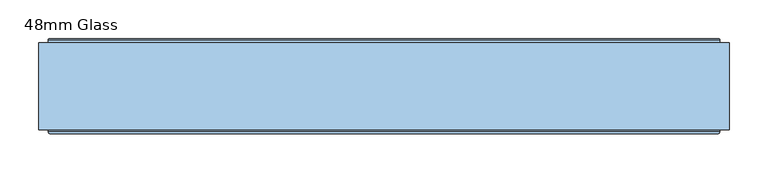
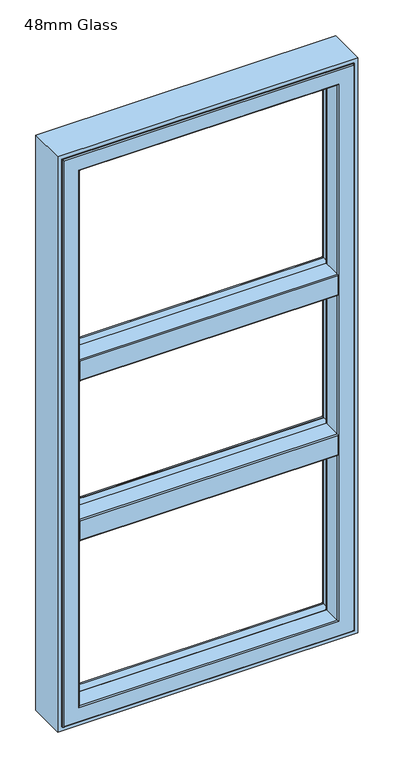
"""IFC4 building model written with IfcOpenShell, lengths in millimetres: window geometry, 48mm Glass."""

from ifc_helpers import new_model, si_unit, frame, origin, place, context, project, spatial, polyline, circle_curve, ellipse_curve, outline, extrude, source, transform, mapped, element, save
from ifc_brep_helpers import plane_surface, cylinder_surface, revolved_surface, advanced_brep


def window_48mm_glass_a38f5742(model_context):
    return source(origin(), model_context, "Body", "SolidModel", [
        advanced_brep(
        [(382.0, 91.0, 1395.6729121), (382.0, 91.0, 1379.0), (-382.0, 91.0, 1379.0), (-382.0, 91.0, 1395.6729121), (382.0, 35.0, 1379.0), (-382.0, 35.0, 1379.0), (382.0, 32.0, 1382.0), (382.0, 32.0, 1442.0), (-382.0, 32.0, 1442.0), (-382.0, 32.0, 1382.0), (382.0, 35.0, 1445.0), (382.0, 91.0, 1445.0), (-382.0, 91.0, 1445.0), (-382.0, 35.0, 1445.0), (382.0, 91.0, 1428.3270879), (-382.0, 91.0, 1428.3270879), (400.1583253, 92.2894565, 1426.8419376), (406.822025, 146.5609347, 1420.1893048), (-406.822025, 146.5609347, 1420.1893048), (-400.1583253, 92.2894565, 1426.8419376), (406.822025, 146.5609347, 1403.8106952), (400.1583253, 92.2894565, 1397.1580624), (-400.1583253, 92.2894565, 1397.1580624), (-406.822025, 146.5609347, 1403.8106952), (400.0, 91.0, 1395.6729121), (400.0, 91.0, 1428.3270879), (407.6, 153.0, 1419.4), (407.6, 153.0, 1404.6), (407.6, 154.0, 1405.6), (407.6, 154.0, 1418.4), (407.0359197, 148.3029671, 1404.6), (407.0359197, 148.3029671, 1419.4), (-400.0, 91.0, 1428.3270879), (-400.0, 91.0, 1395.6729121), (-407.6, 153.0, 1404.6), (-407.6, 153.0, 1419.4), (-407.6, 154.0, 1418.4), (-407.6, 154.0, 1405.6), (-407.0359197, 148.3029671, 1419.4), (-407.0359197, 148.3029671, 1404.6)],
        [
            (0, 1),
            (1, 2),
            (2, 3),
            (3, 0),
            (1, 4),
            (4, 5),
            (5, 2),
            (6, 7),
            (7, 8),
            (8, 9),
            (9, 6),
            (10, 11),
            (11, 12),
            (12, 13),
            (13, 10),
            (11, 14),
            (14, 15),
            (15, 12),
            (16, 17),
            (17, 18),
            (18, 19),
            (19, 16),
            (20, 21),
            (21, 22),
            (22, 23),
            (23, 20),
            (14, 0),
            (0, 24),
            (24, 25),
            (25, 14),
            (10, 7, circle_curve(frame((382.0, 35.0, 1442.0), z_axis=(1.0, 0.0, 0.0), x_axis=(0.0, 0.0, 1.0)), 3.0)),
            (6, 4, circle_curve(frame((382.0, 35.0, 1382.0), z_axis=(1.0, 0.0, 0.0), x_axis=(0.0, 0.0, 1.0)), 3.0)),
            (26, 27),
            (27, 28, circle_curve(frame((407.6, 153.0, 1405.6), z_axis=(1.0, 0.0, 0.0), x_axis=(0.0, 0.0, 1.0)), 1.0)),
            (28, 29),
            (29, 26, circle_curve(frame((407.6, 153.0, 1418.4), z_axis=(1.0, 0.0, 0.0), x_axis=(0.0, 0.0, 1.0)), 1.0)),
            (24, 21, ellipse_curve(frame((400.1841768, 92.5, 1395.6729121), z_axis=(-0.9925461516413192, 0.12186934340517064, 0.0), x_axis=(0.12186934340517032, 0.9925461516413191, 0.0)), 1.5112647, 1.5)),
            (20, 30),
            (30, 27),
            (26, 31),
            (31, 17),
            (16, 25, ellipse_curve(frame((400.1841768, 92.5, 1428.3270879), z_axis=(-0.9925461516413192, 0.12186934340517064, 0.0), x_axis=(0.12186934340517032, 0.9925461516413191, 0.0)), 1.5112647, 1.5)),
            (3, 15),
            (15, 32),
            (32, 33),
            (33, 3),
            (5, 9, circle_curve(frame((-382.0, 35.0, 1382.0), z_axis=(-1.0, 0.0, 0.0), x_axis=(0.0, 0.0, 1.0)), 3.0)),
            (8, 13, circle_curve(frame((-382.0, 35.0, 1442.0), z_axis=(-1.0, 0.0, 0.0), x_axis=(0.0, 0.0, 1.0)), 3.0)),
            (34, 35),
            (35, 36, circle_curve(frame((-407.6, 153.0, 1418.4), z_axis=(-1.0, 0.0, 0.0), x_axis=(0.0, 0.0, 1.0)), 1.0)),
            (36, 37),
            (37, 34, circle_curve(frame((-407.6, 153.0, 1405.6), z_axis=(-1.0, 0.0, 0.0), x_axis=(0.0, 0.0, 1.0)), 1.0)),
            (32, 19, ellipse_curve(frame((-400.1841768, 92.5, 1428.3270879), z_axis=(0.9925461516413218, 0.12186934340514957, 0.0), x_axis=(0.12186934340514949, -0.9925461516413219, 0.0)), 1.5112647, 1.5)),
            (18, 38),
            (38, 35),
            (34, 39),
            (39, 23),
            (22, 33, ellipse_curve(frame((-400.1841768, 92.5, 1395.6729121), z_axis=(0.9925461516413218, 0.12186934340514957, 0.0), x_axis=(0.12186934340514949, -0.9925461516413219, 0.0)), 1.5112647, 1.5)),
            (31, 38),
            (26, 35),
            (29, 36),
            (28, 37),
            (27, 34),
            (30, 39),
        ],
        [
            plane_surface(frame((-432.0, 91.0, 1395.6729121), z_axis=(0.0, 1.0, 0.0), x_axis=(1.0, 0.0, 0.0))),
            plane_surface(frame((-432.0, 91.0, 1379.0), z_axis=(0.0, 0.0, -1.0), x_axis=(1.0, 0.0, 0.0))),
            plane_surface(frame((-432.0, 32.0, 1382.0), z_axis=(0.0, -1.0, 0.0), x_axis=(1.0, 0.0, 0.0))),
            plane_surface(frame((-432.0, 35.0, 1445.0), z_axis=(0.0, 0.0, 1.0), x_axis=(1.0, 0.0, 0.0))),
            plane_surface(frame((-432.0, 91.0, 1445.0), z_axis=(0.0, 1.0, 0.0), x_axis=(1.0, 0.0, 0.0))),
            plane_surface(frame((-432.0, 92.2894565, 1426.8419376), z_axis=(0.0, 0.12166994625706042, 0.992570614202236), x_axis=(1.0, 0.0, 0.0))),
            plane_surface(frame((-432.0, 146.5609347, 1403.8106952), z_axis=(0.0, 0.12166994625704212, -0.9925706142022382), x_axis=(1.0, 0.0, 0.0))),
            plane_surface(frame((400.0, 91.0, 1662.0), z_axis=(0.0, -1.0, 0.0), x_axis=(0.0, 0.0, -1.0))),
            plane_surface(frame((382.0, 91.0, 1662.0), z_axis=(1.0, 0.0, 0.0), x_axis=(0.0, 0.0, -1.0))),
            plane_surface(frame((407.6, 154.0, 1662.0), z_axis=(1.0, 0.0, 0.0), x_axis=(0.0, 0.0, -1.0))),
            plane_surface(frame((407.6, 152.8970329, 1662.0), z_axis=(0.9925461516413192, -0.12186934340517064, 0.0), x_axis=(0.0, 0.0, -1.0))),
            plane_surface(frame((-382.0, 91.0, 1662.0), z_axis=(0.0, -1.0, 0.0), x_axis=(0.0, 0.0, -1.0))),
            plane_surface(frame((-382.0, 32.0, 1662.0), z_axis=(-1.0, 0.0, 0.0), x_axis=(0.0, 0.0, -1.0))),
            plane_surface(frame((-407.6, 152.8970329, 1662.0), z_axis=(-1.0, 0.0, 0.0), x_axis=(0.0, 0.0, -1.0))),
            plane_surface(frame((-400.0, 91.0, 1662.0), z_axis=(-0.9925461516413218, -0.12186934340514957, 0.0), x_axis=(0.0, 0.0, -1.0))),
            revolved_surface(polyline([(400.3683536367004, 92.5, 1397.1729121), (-400.36835363670036, 92.5, 1397.1729121)]), (432.0, 92.5, 1395.6729121), (1.0, 0.0, 0.0)),
            cylinder_surface(frame((432.0, 35.0, 1382.0), z_axis=(-1.0, 0.0, 0.0), x_axis=(0.0, 0.0, 1.0)), 3.0),
            cylinder_surface(frame((432.0, 35.0, 1442.0), z_axis=(-1.0, 0.0, 0.0), x_axis=(0.0, 0.0, 1.0)), 3.0),
            revolved_surface(polyline([(400.3683536367004, 92.5, 1429.8270879), (-400.36835363670036, 92.5, 1429.8270879)]), (432.0, 92.5, 1428.3270879), (1.0, 0.0, 0.0)),
            plane_surface(frame((-432.0, 146.5609347, 1420.1893048), z_axis=(0.0, 0.4127070888885561, 0.9108637981504883), x_axis=(1.0, 0.0, 0.0))),
            plane_surface(frame((-432.0, 148.3029671, 1419.4), z_axis=(0.0, 0.0, 1.0), x_axis=(1.0, 0.0, 0.0))),
            cylinder_surface(frame((432.0, 153.0, 1418.4), z_axis=(-1.0, 0.0, 0.0), x_axis=(0.0, 0.0, 1.0)), 1.0),
            plane_surface(frame((-432.0, 154.0, 1418.4), z_axis=(0.0, 1.0, 0.0), x_axis=(1.0, 0.0, 0.0))),
            cylinder_surface(frame((432.0, 153.0, 1405.6), z_axis=(-1.0, 0.0, 0.0), x_axis=(0.0, 0.0, 1.0)), 1.0),
            plane_surface(frame((-432.0, 153.0, 1404.6), z_axis=(0.0, 0.0, -1.0), x_axis=(1.0, 0.0, 0.0))),
            plane_surface(frame((-432.0, 148.3029671, 1404.6), z_axis=(0.0, 0.41270708890017077, -0.9108637981452258), x_axis=(1.0, 0.0, 0.0))),
        ],
        [
            (0, [[1, 2, 3, 4]]),
            (1, [[5, 6, 7, -2]]),
            (2, [[8, 9, 10, 11]]),
            (3, [[12, 13, 14, 15]]),
            (4, [[16, 17, 18, -13]]),
            (5, [[19, 20, 21, 22]]),
            (6, [[23, 24, 25, 26]]),
            (7, [[27, 28, 29, 30]]),
            (8, [[-27, -16, -12, 31, -8, 32, -5, -1]]),
            (9, [[33, 34, 35, 36]]),
            (10, [[-29, 37, -23, 38, 39, -33, 40, 41, -19, 42]]),
            (11, [[43, 44, 45, 46]]),
            (12, [[-43, -3, -7, 47, -10, 48, -14, -18]]),
            (13, [[49, 50, 51, 52]]),
            (14, [[-45, 53, -21, 54, 55, -49, 56, 57, -25, 58]]),
            (15, [[-28, -4, -46, -58, -24, -37]]),
            (16, [[-32, -11, -47, -6]]),
            (17, [[-31, -15, -48, -9]]),
            (18, [[-30, -42, -22, -53, -44, -17]]),
            (19, [[-41, 59, -54, -20]]),
            (20, [[-40, 60, -55, -59]]),
            (21, [[-36, 61, -50, -60]]),
            (22, [[-35, 62, -51, -61]]),
            (23, [[-34, 63, -52, -62]]),
            (24, [[-39, 64, -56, -63]]),
            (25, [[-38, -26, -57, -64]]),
        ],
    ),
        advanced_brep(
        [(382.0, 91.0, 1895.6729121), (382.0, 91.0, 1879.0), (-382.0, 91.0, 1879.0), (-382.0, 91.0, 1895.6729121), (382.0, 35.0, 1879.0), (-382.0, 35.0, 1879.0), (382.0, 32.0, 1882.0), (382.0, 32.0, 1942.0), (-382.0, 32.0, 1942.0), (-382.0, 32.0, 1882.0), (382.0, 35.0, 1945.0), (382.0, 91.0, 1945.0), (-382.0, 91.0, 1945.0), (-382.0, 35.0, 1945.0), (382.0, 91.0, 1928.3270879), (-382.0, 91.0, 1928.3270879), (400.1583253, 92.2894565, 1926.8419376), (406.822025, 146.5609347, 1920.1893048), (-406.822025, 146.5609347, 1920.1893048), (-400.1583253, 92.2894565, 1926.8419376), (406.822025, 146.5609347, 1903.8106952), (400.1583253, 92.2894565, 1897.1580624), (-400.1583253, 92.2894565, 1897.1580624), (-406.822025, 146.5609347, 1903.8106952), (400.0, 91.0, 1895.6729121), (400.0, 91.0, 1928.3270879), (407.6, 153.0, 1919.4), (407.6, 153.0, 1904.6), (407.6, 154.0, 1905.6), (407.6, 154.0, 1918.4), (407.0359197, 148.3029671, 1904.6), (407.0359197, 148.3029671, 1919.4), (-400.0, 91.0, 1928.3270879), (-400.0, 91.0, 1895.6729121), (-407.6, 153.0, 1904.6), (-407.6, 153.0, 1919.4), (-407.6, 154.0, 1918.4), (-407.6, 154.0, 1905.6), (-407.0359197, 148.3029671, 1919.4), (-407.0359197, 148.3029671, 1904.6)],
        [
            (0, 1),
            (1, 2),
            (2, 3),
            (3, 0),
            (1, 4),
            (4, 5),
            (5, 2),
            (6, 7),
            (7, 8),
            (8, 9),
            (9, 6),
            (10, 11),
            (11, 12),
            (12, 13),
            (13, 10),
            (11, 14),
            (14, 15),
            (15, 12),
            (16, 17),
            (17, 18),
            (18, 19),
            (19, 16),
            (20, 21),
            (21, 22),
            (22, 23),
            (23, 20),
            (14, 0),
            (0, 24),
            (24, 25),
            (25, 14),
            (10, 7, circle_curve(frame((382.0, 35.0, 1942.0), z_axis=(1.0, 0.0, 0.0), x_axis=(0.0, 0.0, 1.0)), 3.0)),
            (6, 4, circle_curve(frame((382.0, 35.0, 1882.0), z_axis=(1.0, 0.0, 0.0), x_axis=(0.0, 0.0, 1.0)), 3.0)),
            (26, 27),
            (27, 28, circle_curve(frame((407.6, 153.0, 1905.6), z_axis=(1.0, 0.0, 0.0), x_axis=(0.0, 0.0, 1.0)), 1.0)),
            (28, 29),
            (29, 26, circle_curve(frame((407.6, 153.0, 1918.4), z_axis=(1.0, 0.0, 0.0), x_axis=(0.0, 0.0, 1.0)), 1.0)),
            (24, 21, ellipse_curve(frame((400.1841768, 92.5, 1895.6729121), z_axis=(-0.9925461516413192, 0.12186934340517064, 0.0), x_axis=(0.12186934340517032, 0.9925461516413191, 0.0)), 1.5112647, 1.5)),
            (20, 30),
            (30, 27),
            (26, 31),
            (31, 17),
            (16, 25, ellipse_curve(frame((400.1841768, 92.5, 1928.3270879), z_axis=(-0.9925461516413192, 0.12186934340517064, 0.0), x_axis=(0.12186934340517032, 0.9925461516413191, 0.0)), 1.5112647, 1.5)),
            (3, 15),
            (15, 32),
            (32, 33),
            (33, 3),
            (5, 9, circle_curve(frame((-382.0, 35.0, 1882.0), z_axis=(-1.0, 0.0, 0.0), x_axis=(0.0, 0.0, 1.0)), 3.0)),
            (8, 13, circle_curve(frame((-382.0, 35.0, 1942.0), z_axis=(-1.0, 0.0, 0.0), x_axis=(0.0, 0.0, 1.0)), 3.0)),
            (34, 35),
            (35, 36, circle_curve(frame((-407.6, 153.0, 1918.4), z_axis=(-1.0, 0.0, 0.0), x_axis=(0.0, 0.0, 1.0)), 1.0)),
            (36, 37),
            (37, 34, circle_curve(frame((-407.6, 153.0, 1905.6), z_axis=(-1.0, 0.0, 0.0), x_axis=(0.0, 0.0, 1.0)), 1.0)),
            (32, 19, ellipse_curve(frame((-400.1841768, 92.5, 1928.3270879), z_axis=(0.9925461516413218, 0.12186934340514957, 0.0), x_axis=(0.12186934340514949, -0.9925461516413219, 0.0)), 1.5112647, 1.5)),
            (18, 38),
            (38, 35),
            (34, 39),
            (39, 23),
            (22, 33, ellipse_curve(frame((-400.1841768, 92.5, 1895.6729121), z_axis=(0.9925461516413218, 0.12186934340514957, 0.0), x_axis=(0.12186934340514949, -0.9925461516413219, 0.0)), 1.5112647, 1.5)),
            (31, 38),
            (26, 35),
            (29, 36),
            (28, 37),
            (27, 34),
            (30, 39),
        ],
        [
            plane_surface(frame((-432.0, 91.0, 1895.6729121), z_axis=(0.0, 1.0, 0.0), x_axis=(1.0, 0.0, 0.0))),
            plane_surface(frame((-432.0, 91.0, 1879.0), z_axis=(0.0, 0.0, -1.0), x_axis=(1.0, 0.0, 0.0))),
            plane_surface(frame((-432.0, 32.0, 1882.0), z_axis=(0.0, -1.0, 0.0), x_axis=(1.0, 0.0, 0.0))),
            plane_surface(frame((-432.0, 35.0, 1945.0), z_axis=(0.0, 0.0, 1.0), x_axis=(1.0, 0.0, 0.0))),
            plane_surface(frame((-432.0, 91.0, 1945.0), z_axis=(0.0, 1.0, 0.0), x_axis=(1.0, 0.0, 0.0))),
            plane_surface(frame((-432.0, 92.2894565, 1926.8419376), z_axis=(0.0, 0.12166994625706042, 0.992570614202236), x_axis=(1.0, 0.0, 0.0))),
            plane_surface(frame((-432.0, 146.5609347, 1903.8106952), z_axis=(0.0, 0.12166994625704212, -0.9925706142022382), x_axis=(1.0, 0.0, 0.0))),
            plane_surface(frame((400.0, 91.0, 2162.0), z_axis=(0.0, -1.0, 0.0), x_axis=(0.0, 0.0, -1.0))),
            plane_surface(frame((382.0, 91.0, 2162.0), z_axis=(1.0, 0.0, 0.0), x_axis=(0.0, 0.0, -1.0))),
            plane_surface(frame((407.6, 154.0, 2162.0), z_axis=(1.0, 0.0, 0.0), x_axis=(0.0, 0.0, -1.0))),
            plane_surface(frame((407.6, 152.8970329, 2162.0), z_axis=(0.9925461516413192, -0.12186934340517064, 0.0), x_axis=(0.0, 0.0, -1.0))),
            plane_surface(frame((-382.0, 91.0, 2162.0), z_axis=(0.0, -1.0, 0.0), x_axis=(0.0, 0.0, -1.0))),
            plane_surface(frame((-382.0, 32.0, 2162.0), z_axis=(-1.0, 0.0, 0.0), x_axis=(0.0, 0.0, -1.0))),
            plane_surface(frame((-407.6, 152.8970329, 2162.0), z_axis=(-1.0, 0.0, 0.0), x_axis=(0.0, 0.0, -1.0))),
            plane_surface(frame((-400.0, 91.0, 2162.0), z_axis=(-0.9925461516413218, -0.12186934340514957, 0.0), x_axis=(0.0, 0.0, -1.0))),
            revolved_surface(polyline([(400.3683536367004, 92.5, 1897.1729121), (-400.36835363670036, 92.5, 1897.1729121)]), (432.0, 92.5, 1895.6729121), (1.0, 0.0, 0.0)),
            cylinder_surface(frame((432.0, 35.0, 1882.0), z_axis=(-1.0, 0.0, 0.0), x_axis=(0.0, 0.0, 1.0)), 3.0),
            cylinder_surface(frame((432.0, 35.0, 1942.0), z_axis=(-1.0, 0.0, 0.0), x_axis=(0.0, 0.0, 1.0)), 3.0),
            revolved_surface(polyline([(400.3683536367004, 92.5, 1929.8270879), (-400.36835363670036, 92.5, 1929.8270879)]), (432.0, 92.5, 1928.3270879), (1.0, 0.0, 0.0)),
            plane_surface(frame((-432.0, 146.5609347, 1920.1893048), z_axis=(0.0, 0.4127070888885561, 0.9108637981504883), x_axis=(1.0, 0.0, 0.0))),
            plane_surface(frame((-432.0, 148.3029671, 1919.4), z_axis=(0.0, 0.0, 1.0), x_axis=(1.0, 0.0, 0.0))),
            cylinder_surface(frame((432.0, 153.0, 1918.4), z_axis=(-1.0, 0.0, 0.0), x_axis=(0.0, 0.0, 1.0)), 1.0),
            plane_surface(frame((-432.0, 154.0, 1918.4), z_axis=(0.0, 1.0, 0.0), x_axis=(1.0, 0.0, 0.0))),
            cylinder_surface(frame((432.0, 153.0, 1905.6), z_axis=(-1.0, 0.0, 0.0), x_axis=(0.0, 0.0, 1.0)), 1.0),
            plane_surface(frame((-432.0, 153.0, 1904.6), z_axis=(0.0, 0.0, -1.0), x_axis=(1.0, 0.0, 0.0))),
            plane_surface(frame((-432.0, 148.3029671, 1904.6), z_axis=(0.0, 0.41270708890017077, -0.9108637981452258), x_axis=(1.0, 0.0, 0.0))),
        ],
        [
            (0, [[1, 2, 3, 4]]),
            (1, [[5, 6, 7, -2]]),
            (2, [[8, 9, 10, 11]]),
            (3, [[12, 13, 14, 15]]),
            (4, [[16, 17, 18, -13]]),
            (5, [[19, 20, 21, 22]]),
            (6, [[23, 24, 25, 26]]),
            (7, [[27, 28, 29, 30]]),
            (8, [[-27, -16, -12, 31, -8, 32, -5, -1]]),
            (9, [[33, 34, 35, 36]]),
            (10, [[-29, 37, -23, 38, 39, -33, 40, 41, -19, 42]]),
            (11, [[43, 44, 45, 46]]),
            (12, [[-43, -3, -7, 47, -10, 48, -14, -18]]),
            (13, [[49, 50, 51, 52]]),
            (14, [[-45, 53, -21, 54, 55, -49, 56, 57, -25, 58]]),
            (15, [[-28, -4, -46, -58, -24, -37]]),
            (16, [[-32, -11, -47, -6]]),
            (17, [[-31, -15, -48, -9]]),
            (18, [[-30, -42, -22, -53, -44, -17]]),
            (19, [[-41, 59, -54, -20]]),
            (20, [[-40, 60, -55, -59]]),
            (21, [[-36, 61, -50, -60]]),
            (22, [[-35, 62, -51, -61]]),
            (23, [[-34, 63, -52, -62]]),
            (24, [[-39, 64, -56, -63]]),
            (25, [[-38, -26, -57, -64]]),
        ],
    ),
        advanced_brep(
        [(-383.5, 91.0, 2539.5), (-382.0, 89.5, 2538.0), (-382.0, 89.5, 862.0), (-383.5, 91.0, 860.5), (-382.0, 35.0, 2538.0), (-382.0, 35.0, 862.0), (382.0, 89.5, 862.0), (383.5, 91.0, 860.5), (398.6498733, 91.0, 2554.6498733), (398.6498733, 91.0, 845.3501267), (-398.6498733, 91.0, 845.3501267), (-398.6498733, 91.0, 2554.6498733), (383.5, 91.0, 2539.5), (-400.1386925, 92.317196, 2556.1386925), (-400.1386925, 92.317196, 843.8613075), (400.1386925, 92.317196, 843.8613075), (-406.7857488, 146.453125, 2562.7857488), (-406.7857488, 146.453125, 837.2142512), (406.7857488, 146.453125, 837.2142512), (407.6, 146.453125, 2563.6), (407.6, 146.453125, 836.4), (-407.6, 146.453125, 836.4), (-407.6, 146.453125, 2563.6), (406.7857488, 146.453125, 2562.7857488), (-407.6, 153.0, 2563.6), (-407.6, 153.0, 836.4), (407.6, 153.0, 836.4), (-408.6, 154.0, 2564.6), (-408.6, 154.0, 835.4), (408.6, 154.0, 835.4), (431.0, 154.0, 2587.0), (431.0, 154.0, 813.0), (-431.0, 154.0, 813.0), (-431.0, 154.0, 2587.0), (408.6, 154.0, 2564.6), (-432.0, 153.0, 2588.0), (-432.0, 153.0, 812.0), (432.0, 153.0, 812.0), (-432.0, 35.0, 2588.0), (-432.0, 35.0, 812.0), (432.0, 35.0, 812.0), (-429.0, 32.0, 2585.0), (-429.0, 32.0, 815.0), (429.0, 32.0, 815.0), (429.0, 32.0, 2585.0), (385.0, 32.0, 2541.0), (385.0, 32.0, 859.0), (-385.0, 32.0, 859.0), (-385.0, 32.0, 2541.0), (382.0, 35.0, 862.0), (382.0, 89.5, 2538.0), (400.1386925, 92.317196, 2556.1386925), (407.6, 153.0, 2563.6), (432.0, 153.0, 2588.0), (432.0, 35.0, 2588.0), (382.0, 35.0, 2538.0)],
        [
            (0, 1, ellipse_curve(frame((-383.5, 89.5, 2539.5), z_axis=(-0.7071067811865475, 0.0, -0.7071067811865475), x_axis=(-0.7071067811865474, 0.0, 0.7071067811865476)), 2.1213203, 1.5)),
            (1, 2),
            (2, 3, ellipse_curve(frame((-383.5, 89.5, 860.5), z_axis=(-0.7071067811865475, 0.0, 0.7071067811865475), x_axis=(0.7071067811865474, 0.0, 0.7071067811865476)), 2.1213203, 1.5)),
            (3, 0),
            (1, 4),
            (4, 5),
            (5, 2),
            (2, 6),
            (6, 7, ellipse_curve(frame((383.5, 89.5, 860.5), z_axis=(-0.7071067811865475, 0.0, -0.7071067811865475), x_axis=(-0.7071067811865476, 0.0, 0.7071067811865474)), 2.1213203, 1.5)),
            (7, 3),
            (8, 9),
            (9, 10),
            (10, 11),
            (11, 8),
            (7, 12),
            (12, 0),
            (13, 11, ellipse_curve(frame((-398.6498733, 92.5, 2554.6498733), z_axis=(0.7071067811865475, 0.0, 0.7071067811865475), x_axis=(0.7071067811865474, 0.0, -0.7071067811865476)), 2.1213203, 1.5)),
            (10, 14, ellipse_curve(frame((-398.6498733, 92.5, 845.3501267), z_axis=(0.7071067811865475, 0.0, -0.7071067811865475), x_axis=(-0.7071067811865474, 0.0, -0.7071067811865476)), 2.1213203, 1.5)),
            (14, 13),
            (9, 15, ellipse_curve(frame((398.6498733, 92.5, 845.3501267), z_axis=(0.7071067811865475, 0.0, 0.7071067811865475), x_axis=(0.7071067811865476, 0.0, -0.7071067811865474)), 2.1213203, 1.5)),
            (15, 14),
            (16, 13),
            (14, 17),
            (17, 16),
            (15, 18),
            (18, 17),
            (19, 20),
            (20, 21),
            (21, 22),
            (22, 19),
            (18, 23),
            (23, 16),
            (24, 22),
            (21, 25),
            (25, 24),
            (20, 26),
            (26, 25),
            (27, 24, ellipse_curve(frame((-408.6, 153.0, 2564.6), z_axis=(-0.7071067811865475, 0.0, -0.7071067811865475), x_axis=(-0.7071067811865474, 0.0, 0.7071067811865476)), 1.4142136, 1.0)),
            (25, 28, ellipse_curve(frame((-408.6, 153.0, 835.4), z_axis=(-0.7071067811865475, 0.0, 0.7071067811865475), x_axis=(0.7071067811865474, 0.0, 0.7071067811865476)), 1.4142136, 1.0)),
            (28, 27),
            (26, 29, ellipse_curve(frame((408.6, 153.0, 835.4), z_axis=(-0.7071067811865475, 0.0, -0.7071067811865475), x_axis=(-0.7071067811865476, 0.0, 0.7071067811865474)), 1.4142136, 1.0)),
            (29, 28),
            (30, 31),
            (31, 32),
            (32, 33),
            (33, 30),
            (29, 34),
            (34, 27),
            (35, 33, ellipse_curve(frame((-431.0, 153.0, 2587.0), z_axis=(-0.7071067811865475, 0.0, -0.7071067811865475), x_axis=(-0.7071067811865474, 0.0, 0.7071067811865476)), 1.4142136, 1.0)),
            (32, 36, ellipse_curve(frame((-431.0, 153.0, 813.0), z_axis=(-0.7071067811865475, 0.0, 0.7071067811865475), x_axis=(0.7071067811865474, 0.0, 0.7071067811865476)), 1.4142136, 1.0)),
            (36, 35),
            (31, 37, ellipse_curve(frame((431.0, 153.0, 813.0), z_axis=(-0.7071067811865475, 0.0, -0.7071067811865475), x_axis=(-0.7071067811865476, 0.0, 0.7071067811865474)), 1.4142136, 1.0)),
            (37, 36),
            (38, 35),
            (36, 39),
            (39, 38),
            (37, 40),
            (40, 39),
            (41, 38, ellipse_curve(frame((-429.0, 35.0, 2585.0), z_axis=(-0.7071067811865475, 0.0, -0.7071067811865475), x_axis=(-0.7071067811865474, 0.0, 0.7071067811865476)), 4.2426407, 3.0)),
            (39, 42, ellipse_curve(frame((-429.0, 35.0, 815.0), z_axis=(-0.7071067811865475, 0.0, 0.7071067811865475), x_axis=(0.7071067811865474, 0.0, 0.7071067811865476)), 4.2426407, 3.0)),
            (42, 41),
            (40, 43, ellipse_curve(frame((429.0, 35.0, 815.0), z_axis=(-0.7071067811865475, 0.0, -0.7071067811865475), x_axis=(-0.7071067811865476, 0.0, 0.7071067811865474)), 4.2426407, 3.0)),
            (43, 42),
            (43, 44),
            (44, 41),
            (45, 46),
            (46, 47),
            (47, 48),
            (48, 45),
            (4, 48, ellipse_curve(frame((-385.0, 35.0, 2541.0), z_axis=(-0.7071067811865475, 0.0, -0.7071067811865475), x_axis=(-0.7071067811865474, 0.0, 0.7071067811865476)), 4.2426407, 3.0)),
            (47, 5, ellipse_curve(frame((-385.0, 35.0, 859.0), z_axis=(-0.7071067811865475, 0.0, 0.7071067811865475), x_axis=(0.7071067811865474, 0.0, 0.7071067811865476)), 4.2426407, 3.0)),
            (46, 49, ellipse_curve(frame((385.0, 35.0, 859.0), z_axis=(-0.7071067811865475, 0.0, -0.7071067811865475), x_axis=(-0.7071067811865476, 0.0, 0.7071067811865474)), 4.2426407, 3.0)),
            (49, 5),
            (49, 6),
            (6, 50),
            (50, 12, ellipse_curve(frame((383.5, 89.5, 2539.5), z_axis=(0.7071067811865475, 0.0, -0.7071067811865475), x_axis=(-0.7071067811865474, 0.0, -0.7071067811865476)), 2.1213203, 1.5)),
            (8, 51, ellipse_curve(frame((398.6498733, 92.5, 2554.6498733), z_axis=(-0.7071067811865475, 0.0, 0.7071067811865475), x_axis=(0.7071067811865474, 0.0, 0.7071067811865476)), 2.1213203, 1.5)),
            (51, 15),
            (51, 23),
            (19, 52),
            (52, 26),
            (52, 34, ellipse_curve(frame((408.6, 153.0, 2564.6), z_axis=(0.7071067811865475, 0.0, -0.7071067811865475), x_axis=(-0.7071067811865474, 0.0, -0.7071067811865476)), 1.4142136, 1.0)),
            (30, 53, ellipse_curve(frame((431.0, 153.0, 2587.0), z_axis=(0.7071067811865475, 0.0, -0.7071067811865475), x_axis=(-0.7071067811865474, 0.0, -0.7071067811865476)), 1.4142136, 1.0)),
            (53, 37),
            (53, 54),
            (54, 40),
            (54, 44, ellipse_curve(frame((429.0, 35.0, 2585.0), z_axis=(0.7071067811865475, 0.0, -0.7071067811865475), x_axis=(-0.7071067811865474, 0.0, -0.7071067811865476)), 4.2426407, 3.0)),
            (45, 55, ellipse_curve(frame((385.0, 35.0, 2541.0), z_axis=(0.7071067811865475, 0.0, -0.7071067811865475), x_axis=(-0.7071067811865474, 0.0, -0.7071067811865476)), 4.2426407, 3.0)),
            (55, 49),
            (55, 50),
            (50, 1),
            (55, 4),
            (13, 51),
            (24, 52),
            (35, 53),
            (38, 54),
        ],
        [
            cylinder_surface(frame((-383.5, 89.5, 2600.0), z_axis=(0.0, 0.0, 1.0), x_axis=(0.0, 1.0, 0.0)), 1.5),
            plane_surface(frame((-382.0, 35.0, 2538.0), z_axis=(1.0, 0.0, 0.0), x_axis=(0.0, 0.0, -1.0))),
            cylinder_surface(frame((-444.0, 89.5, 860.5), z_axis=(-1.0, 0.0, 0.0), x_axis=(0.0, 1.0, 0.0)), 1.5),
            plane_surface(frame((383.5, 91.0, 860.5), z_axis=(0.0, 1.0, 0.0), x_axis=(0.0, 0.0, 1.0))),
            revolved_surface(polyline([(-398.6498733, 94.0, 843.8501267308015), (-398.6498733, 94.0, 2556.1498732691985)]), (-398.6498733, 92.5, 2600.0), (0.0, 0.0, -1.0)),
            revolved_surface(polyline([(400.1498732691988, 94.0, 845.3501267), (-400.1498732691987, 94.0, 845.3501267)]), (-444.0, 92.5, 845.3501267), (1.0, 0.0, 0.0)),
            plane_surface(frame((-400.1386925, 92.317196, 2556.1386925), z_axis=(0.9925461516413234, 0.12186934340513697, 0.0), x_axis=(0.0, 0.0, -1.0))),
            plane_surface(frame((-400.1386925, 92.317196, 843.8613075), z_axis=(0.0, 0.12186934340513697, 0.9925461516413234), x_axis=(1.0, 0.0, 0.0))),
            plane_surface(frame((406.7857488, 146.453125, 837.2142512), z_axis=(0.0, 1.0, 0.0), x_axis=(0.0, 0.0, 1.0))),
            plane_surface(frame((-407.6, 146.453125, 2563.6), z_axis=(1.0, 0.0, 0.0), x_axis=(0.0, 0.0, -1.0))),
            plane_surface(frame((-407.6, 146.453125, 836.4), z_axis=(0.0, 0.0, 1.0), x_axis=(1.0, 0.0, 0.0))),
            cylinder_surface(frame((-408.6, 153.0, 2600.0), z_axis=(0.0, 0.0, 1.0), x_axis=(0.0, 1.0, 0.0)), 1.0),
            cylinder_surface(frame((-444.0, 153.0, 835.4), z_axis=(-1.0, 0.0, 0.0), x_axis=(0.0, 1.0, 0.0)), 1.0),
            plane_surface(frame((408.6, 154.0, 835.4), z_axis=(0.0, 1.0, 0.0), x_axis=(0.0, 0.0, 1.0))),
            cylinder_surface(frame((-431.0, 153.0, 2600.0), z_axis=(0.0, 0.0, 1.0), x_axis=(0.0, 1.0, 0.0)), 1.0),
            cylinder_surface(frame((-444.0, 153.0, 813.0), z_axis=(-1.0, 0.0, 0.0), x_axis=(0.0, 1.0, 0.0)), 1.0),
            plane_surface(frame((-432.0, 153.0, 2588.0), z_axis=(-1.0, 0.0, 0.0), x_axis=(0.0, 0.0, -1.0))),
            plane_surface(frame((-432.0, 153.0, 812.0), z_axis=(0.0, 0.0, -1.0), x_axis=(1.0, 0.0, 0.0))),
            cylinder_surface(frame((-429.0, 35.0, 2600.0), z_axis=(0.0, 0.0, 1.0), x_axis=(0.0, 1.0, 0.0)), 3.0),
            cylinder_surface(frame((-444.0, 35.0, 815.0), z_axis=(-1.0, 0.0, 0.0), x_axis=(0.0, 1.0, 0.0)), 3.0),
            plane_surface(frame((429.0, 32.0, 815.0), z_axis=(0.0, -1.0, 0.0), x_axis=(0.0, 0.0, 1.0))),
            cylinder_surface(frame((-385.0, 35.0, 2600.0), z_axis=(0.0, 0.0, 1.0), x_axis=(0.0, 1.0, 0.0)), 3.0),
            cylinder_surface(frame((-444.0, 35.0, 859.0), z_axis=(-1.0, 0.0, 0.0), x_axis=(0.0, 1.0, 0.0)), 3.0),
            plane_surface(frame((-382.0, 35.0, 862.0), z_axis=(0.0, 0.0, 1.0), x_axis=(1.0, 0.0, 0.0))),
            cylinder_surface(frame((383.5, 89.5, 800.0), z_axis=(0.0, 0.0, -1.0), x_axis=(0.0, 1.0, 0.0)), 1.5),
            revolved_surface(polyline([(398.6498733, 94.0, 2556.1498732691985), (398.6498733, 94.0, 843.8501267308013)]), (398.6498733, 92.5, 800.0), (0.0, 0.0, 1.0)),
            plane_surface(frame((400.1386925, 92.317196, 843.8613075), z_axis=(-0.9925461516413234, 0.12186934340513697, 0.0), x_axis=(0.0, 0.0, 1.0))),
            plane_surface(frame((407.6, 146.453125, 836.4), z_axis=(-1.0, 0.0, 0.0), x_axis=(0.0, 0.0, 1.0))),
            cylinder_surface(frame((408.6, 153.0, 800.0), z_axis=(0.0, 0.0, -1.0), x_axis=(0.0, 1.0, 0.0)), 1.0),
            cylinder_surface(frame((431.0, 153.0, 800.0), z_axis=(0.0, 0.0, -1.0), x_axis=(0.0, 1.0, 0.0)), 1.0),
            plane_surface(frame((432.0, 153.0, 812.0), z_axis=(1.0, 0.0, 0.0), x_axis=(0.0, 0.0, 1.0))),
            cylinder_surface(frame((429.0, 35.0, 800.0), z_axis=(0.0, 0.0, -1.0), x_axis=(0.0, 1.0, 0.0)), 3.0),
            cylinder_surface(frame((385.0, 35.0, 800.0), z_axis=(0.0, 0.0, -1.0), x_axis=(0.0, 1.0, 0.0)), 3.0),
            plane_surface(frame((382.0, 35.0, 862.0), z_axis=(-1.0, 0.0, 0.0), x_axis=(0.0, 0.0, 1.0))),
            cylinder_surface(frame((444.0, 89.5, 2539.5), z_axis=(1.0, 0.0, 0.0), x_axis=(0.0, 1.0, 0.0)), 1.5),
            plane_surface(frame((382.0, 35.0, 2538.0), z_axis=(0.0, 0.0, -1.0), x_axis=(-1.0, 0.0, 0.0))),
            revolved_surface(polyline([(-400.1498732691988, 94.0, 2554.6498733), (400.1498732691987, 94.0, 2554.6498733)]), (444.0, 92.5, 2554.6498733), (-1.0, 0.0, 0.0)),
            plane_surface(frame((400.1386925, 92.317196, 2556.1386925), z_axis=(0.0, 0.12186934340513697, -0.9925461516413234), x_axis=(-1.0, 0.0, 0.0))),
            plane_surface(frame((407.6, 146.453125, 2563.6), z_axis=(0.0, 0.0, -1.0), x_axis=(-1.0, 0.0, 0.0))),
            cylinder_surface(frame((444.0, 153.0, 2564.6), z_axis=(1.0, 0.0, 0.0), x_axis=(0.0, 1.0, 0.0)), 1.0),
            cylinder_surface(frame((444.0, 153.0, 2587.0), z_axis=(1.0, 0.0, 0.0), x_axis=(0.0, 1.0, 0.0)), 1.0),
            plane_surface(frame((432.0, 153.0, 2588.0), z_axis=(0.0, 0.0, 1.0), x_axis=(-1.0, 0.0, 0.0))),
            cylinder_surface(frame((444.0, 35.0, 2585.0), z_axis=(1.0, 0.0, 0.0), x_axis=(0.0, 1.0, 0.0)), 3.0),
            cylinder_surface(frame((444.0, 35.0, 2541.0), z_axis=(1.0, 0.0, 0.0), x_axis=(0.0, 1.0, 0.0)), 3.0),
        ],
        [
            (0, [[1, 2, 3, 4]]),
            (1, [[5, 6, 7, -2]]),
            (2, [[-3, 8, 9, 10]]),
            (3, [[11, 12, 13, 14], [-4, -10, 15, 16]]),
            (4, [[17, -13, 18, 19]]),
            (5, [[-18, -12, 20, 21]]),
            (6, [[22, -19, 23, 24]]),
            (7, [[-23, -21, 25, 26]]),
            (8, [[27, 28, 29, 30], [-24, -26, 31, 32]]),
            (9, [[33, -29, 34, 35]]),
            (10, [[-34, -28, 36, 37]]),
            (11, [[38, -35, 39, 40]]),
            (12, [[-39, -37, 41, 42]]),
            (13, [[43, 44, 45, 46], [-40, -42, 47, 48]]),
            (14, [[49, -45, 50, 51]]),
            (15, [[-50, -44, 52, 53]]),
            (16, [[54, -51, 55, 56]]),
            (17, [[-55, -53, 57, 58]]),
            (18, [[59, -56, 60, 61]]),
            (19, [[-60, -58, 62, 63]]),
            (20, [[-61, -63, 64, 65], [66, 67, 68, 69]]),
            (21, [[70, -68, 71, -6]]),
            (22, [[-71, -67, 72, 73]]),
            (23, [[-7, -73, 74, -8]]),
            (24, [[-9, 75, 76, -15]]),
            (25, [[-20, -11, 77, 78]]),
            (26, [[-25, -78, 79, -31]]),
            (27, [[-36, -27, 80, 81]]),
            (28, [[-41, -81, 82, -47]]),
            (29, [[-52, -43, 83, 84]]),
            (30, [[-57, -84, 85, 86]]),
            (31, [[-62, -86, 87, -64]]),
            (32, [[-72, -66, 88, 89]]),
            (33, [[-74, -89, 90, -75]]),
            (34, [[-76, 91, -1, -16]]),
            (35, [[-90, 92, -5, -91]]),
            (36, [[-77, -14, -17, 93]]),
            (37, [[-79, -93, -22, -32]]),
            (38, [[-80, -30, -33, 94]]),
            (39, [[-82, -94, -38, -48]]),
            (40, [[-83, -46, -49, 95]]),
            (41, [[-85, -95, -54, 96]]),
            (42, [[-87, -96, -59, -65]]),
            (43, [[-88, -69, -70, -92]]),
        ],
    ),
        extrude(outline(polyline([(2600.0, -444.0), (800.0, -444.0), (800.0, 444.0), (2600.0, 444.0), (2600.0, -444.0)]), holes=[polyline([(2588.0, 432.0), (812.0, 432.0), (812.0, -432.0), (2588.0, -432.0), (2588.0, 432.0)])]), frame((0.0, 37.0, 0.0), z_axis=(0.0, 1.0, 0.0), x_axis=(0.0, 0.0, 1.0)), (0.0, 0.0, 1.0), 112.0),
    ])


if __name__ == "__main__":
    model = new_model("IFC4")
    model_context = context("Model", 3, world=origin())
    ifc_project = project(units=[si_unit("LENGTHUNIT", "METRE", prefix="MILLI")], contexts=[model_context])
    site = spatial("IfcSite", under=ifc_project)
    building = spatial("IfcBuilding", under=site)
    placement = place(None, origin())
    window_48mm_glass_shape = window_48mm_glass_a38f5742(model_context)
    element("IfcWindow", 1, ObjectType="48mm Glass", at=placement, inside=building, context=model_context, shape_type="MappedRepresentation", body=[
        mapped(window_48mm_glass_shape, transform((0.0, 0.0, 0.0), x_axis=(1.0, 0.0, 0.0), y_axis=(0.0, 1.0, 0.0), z_axis=(0.0, 0.0, 1.0))),
    ])
    save(model, "model.ifc")
